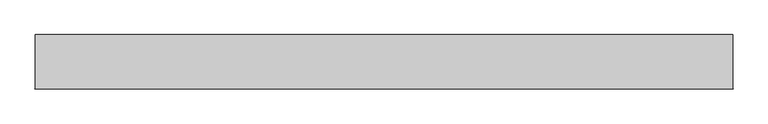
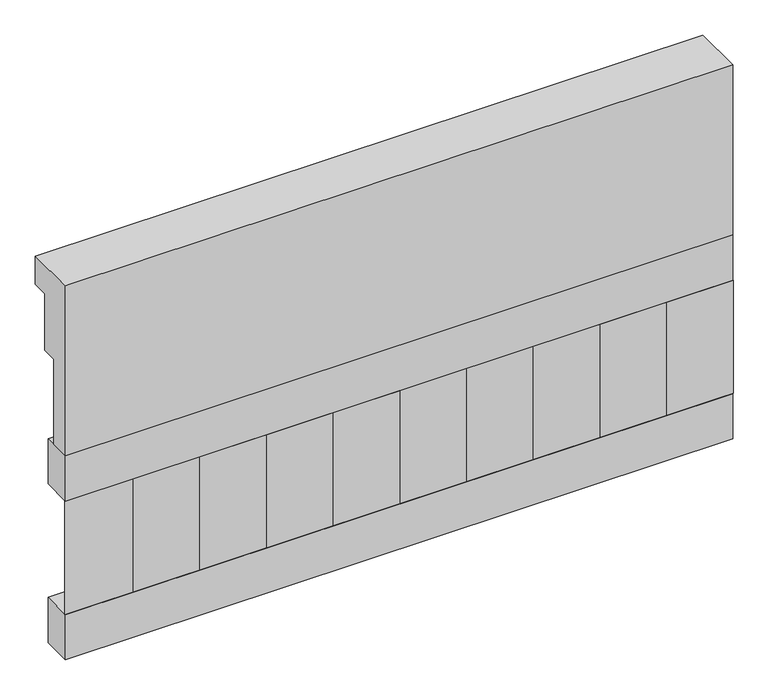
"""IFC4 building model written with IfcOpenShell, lengths in millimetres: railing geometry."""

from ifc_helpers import new_model, si_unit, frame, origin, place, context, project, spatial, polyline, outline, extrude, source, transform, mapped, element, save


def railing_b0d6a3e3(model_context):
    return source(origin(), model_context, "Body", "SweptSolid", [
        extrude(outline(polyline([(903.1079487, 21800.0), (1033.1079487, 21800.0), (1033.1079487, 21725.0), (993.1079487, 21725.0), (993.1079487, 21575.0), (953.1079487, 21575.0), (953.1079487, 21350.0), (903.1079487, 21350.0), (903.1079487, 21800.0)])), frame((-19279.9887159, 0.0, 0.0), z_axis=(1.0, 0.0, 0.0), x_axis=(0.0, 1.0, 0.0)), (0.0, 0.0, 1.0), 1670.0),
        extrude(outline(polyline([(-17609.9887159, 978.1079487), (-17609.9887159, 903.1079487), (-19279.9887159, 903.1079487), (-19279.9887159, 978.1079487), (-17609.9887159, 978.1079487)])), frame((0.0, 0.0, 21230.0), z_axis=(0.0, 0.0, 1.0), x_axis=(1.0, 0.0, 0.0)), (0.0, 0.0, 1.0), 120.0),
        extrude(outline(polyline([(-17609.9887159, 978.1079487), (-17609.9887159, 903.1079487), (-19279.9887159, 903.1079487), (-19279.9887159, 978.1079487), (-17609.9887159, 978.1079487)])), frame((0.0, 0.0, 20810.0), z_axis=(0.0, 0.0, 1.0), x_axis=(1.0, 0.0, 0.0)), (0.0, 0.0, 1.0), 120.0),
        extrude(outline(polyline([(-19196.4887159, 987.9607624), (-19111.6359022, 903.1079487), (-19281.3415296, 903.1079487), (-19196.4887159, 987.9607624)])), frame((0.0, 0.0, 20930.0), z_axis=(0.0, 0.0, 1.0), x_axis=(1.0, 0.0, 0.0)), (0.0, 0.0, 1.0), 300.0),
        extrude(outline(polyline([(-19029.4887159, 987.9607624), (-18944.6359022, 903.1079487), (-19114.3415296, 903.1079487), (-19029.4887159, 987.9607624)])), frame((0.0, 0.0, 20930.0), z_axis=(0.0, 0.0, 1.0), x_axis=(1.0, 0.0, 0.0)), (0.0, 0.0, 1.0), 300.0),
        extrude(outline(polyline([(-18862.4887159, 987.9607624), (-18777.6359022, 903.1079487), (-18947.3415296, 903.1079487), (-18862.4887159, 987.9607624)])), frame((0.0, 0.0, 20930.0), z_axis=(0.0, 0.0, 1.0), x_axis=(1.0, 0.0, 0.0)), (0.0, 0.0, 1.0), 300.0),
        extrude(outline(polyline([(-18695.4887159, 987.9607624), (-18610.6359022, 903.1079487), (-18780.3415296, 903.1079487), (-18695.4887159, 987.9607624)])), frame((0.0, 0.0, 20930.0), z_axis=(0.0, 0.0, 1.0), x_axis=(1.0, 0.0, 0.0)), (0.0, 0.0, 1.0), 300.0),
        extrude(outline(polyline([(-18528.4887159, 987.9607624), (-18443.6359022, 903.1079487), (-18613.3415296, 903.1079487), (-18528.4887159, 987.9607624)])), frame((0.0, 0.0, 20930.0), z_axis=(0.0, 0.0, 1.0), x_axis=(1.0, 0.0, 0.0)), (0.0, 0.0, 1.0), 300.0),
        extrude(outline(polyline([(-18361.4887159, 987.9607624), (-18276.6359022, 903.1079487), (-18446.3415296, 903.1079487), (-18361.4887159, 987.9607624)])), frame((0.0, 0.0, 20930.0), z_axis=(0.0, 0.0, 1.0), x_axis=(1.0, 0.0, 0.0)), (0.0, 0.0, 1.0), 300.0),
        extrude(outline(polyline([(-18194.4887159, 987.9607624), (-18109.6359022, 903.1079487), (-18279.3415296, 903.1079487), (-18194.4887159, 987.9607624)])), frame((0.0, 0.0, 20930.0), z_axis=(0.0, 0.0, 1.0), x_axis=(1.0, 0.0, 0.0)), (0.0, 0.0, 1.0), 300.0),
        extrude(outline(polyline([(-18027.4887159, 987.9607624), (-17942.6359022, 903.1079487), (-18112.3415296, 903.1079487), (-18027.4887159, 987.9607624)])), frame((0.0, 0.0, 20930.0), z_axis=(0.0, 0.0, 1.0), x_axis=(1.0, 0.0, 0.0)), (0.0, 0.0, 1.0), 300.0),
        extrude(outline(polyline([(-17860.4887159, 987.9607624), (-17775.6359022, 903.1079487), (-17945.3415296, 903.1079487), (-17860.4887159, 987.9607624)])), frame((0.0, 0.0, 20930.0), z_axis=(0.0, 0.0, 1.0), x_axis=(1.0, 0.0, 0.0)), (0.0, 0.0, 1.0), 300.0),
        extrude(outline(polyline([(-17693.4887159, 987.9607624), (-17608.6359022, 903.1079487), (-17778.3415296, 903.1079487), (-17693.4887159, 987.9607624)])), frame((0.0, 0.0, 20930.0), z_axis=(0.0, 0.0, 1.0), x_axis=(1.0, 0.0, 0.0)), (0.0, 0.0, 1.0), 300.0),
    ])


if __name__ == "__main__":
    model = new_model("IFC4")
    model_context = context("Model", 3, world=origin())
    ifc_project = project(units=[si_unit("LENGTHUNIT", "METRE", prefix="MILLI")], contexts=[model_context])
    site = spatial("IfcSite", under=ifc_project)
    building = spatial("IfcBuilding", under=site)
    placement = place(None, origin())
    railing_shape = railing_b0d6a3e3(model_context)
    element("IfcRailing", 1, at=placement, inside=building, context=model_context, shape_type="MappedRepresentation", body=[
        mapped(railing_shape, transform((0.0, 0.0, 0.0), x_axis=(1.0, 0.0, 0.0), y_axis=(0.0, 1.0, 0.0), z_axis=(0.0, 0.0, 1.0))),
    ])
    save(model, "model.ifc")
